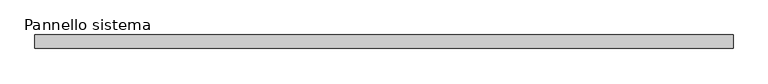
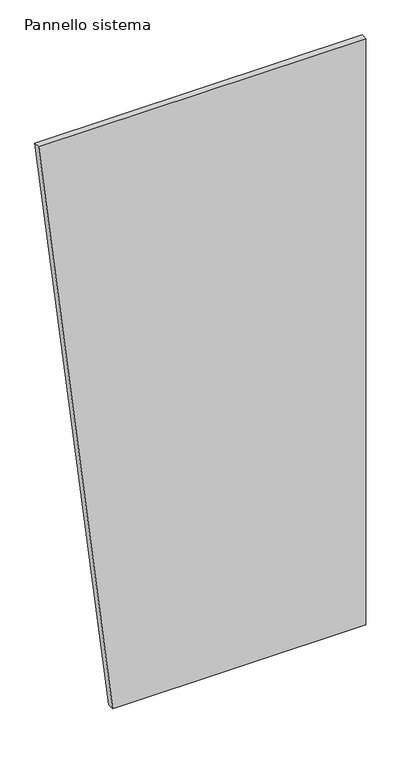
"""IFC4 building model written with IfcOpenShell, lengths in millimetres: plate geometry, Pannello sistema."""

from ifc_helpers import new_model, si_unit, frame, origin, place, context, project, spatial, polyline, outline, extrude, source, transform, mapped, element, save


def pannello_sistema_d09827fc(model_context):
    return source(origin(), model_context, "Body", "SweptSolid", [
        extrude(outline(polyline([(0.0, -353.9813121), (0.0, 646.6580005), (2450.0, 646.6580005), (2450.0, -646.6580005), (0.0, -353.9813121)])), frame((0.0, -12.5, 0.0), z_axis=(0.0, 1.0, 0.0), x_axis=(0.0, 0.0, 1.0)), (0.0, 0.0, 1.0), 25.0),
    ])


if __name__ == "__main__":
    model = new_model("IFC4")
    model_context = context("Model", 3, world=origin())
    ifc_project = project(units=[si_unit("LENGTHUNIT", "METRE", prefix="MILLI")], contexts=[model_context])
    site = spatial("IfcSite", under=ifc_project)
    building = spatial("IfcBuilding", under=site)
    placement = place(None, origin())
    pannello_sistema_shape = pannello_sistema_d09827fc(model_context)
    element("IfcPlate", 1, ObjectType="Pannello sistema", at=placement, inside=building, context=model_context, shape_type="MappedRepresentation", body=[
        mapped(pannello_sistema_shape, transform((0.0, 0.0, 0.0), x_axis=(1.0, 0.0, 0.0), y_axis=(0.0, 1.0, 0.0), z_axis=(0.0, 0.0, 1.0))),
    ])
    save(model, "model.ifc")
